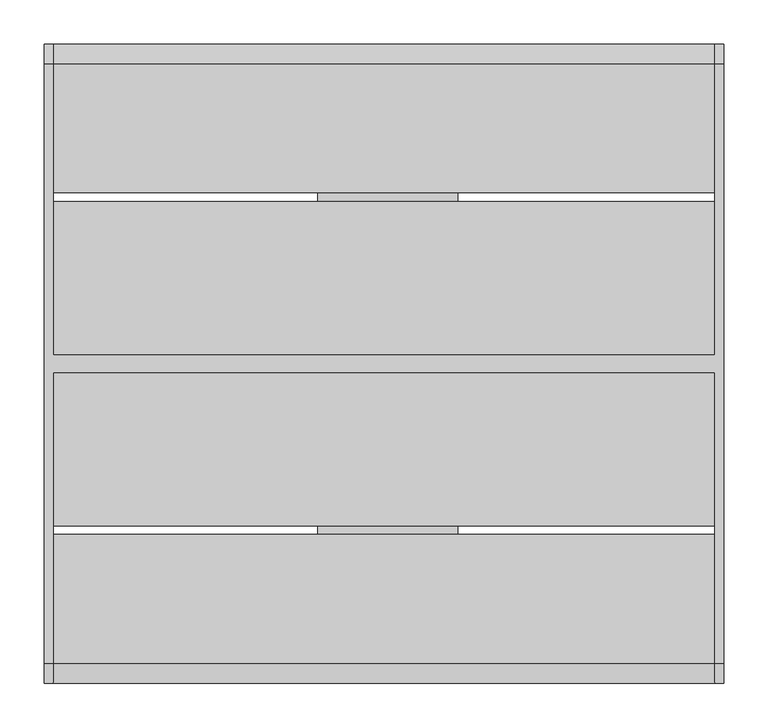
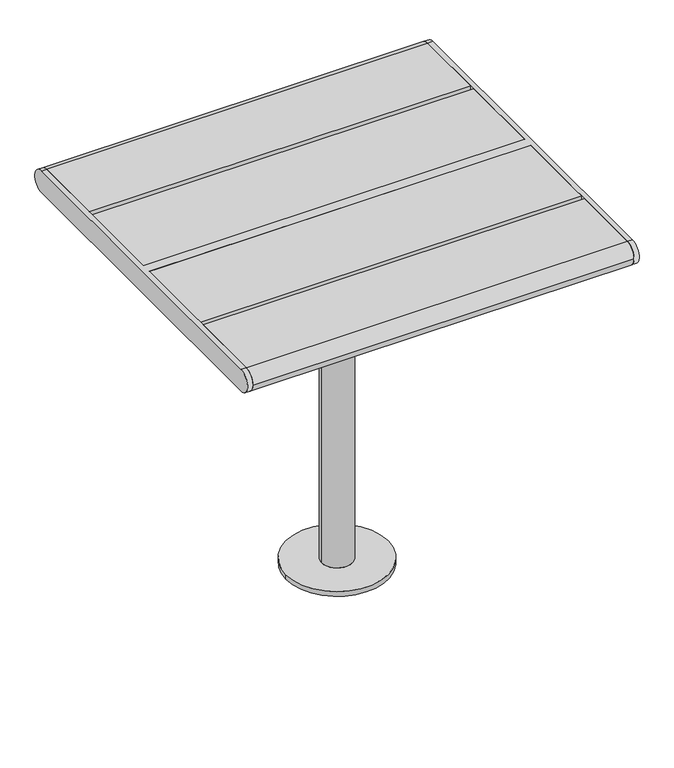
"""IFC4 building model written with IfcOpenShell, lengths in millimetres: furniture geometry."""

from ifc_helpers import new_model, si_unit, point, frame, frame_2d, origin, origin_with_axes, place, context, project, spatial, polyline, circle_curve, trimmed, segment, composite_curve, outline, extrude, source, transform, mapped, element, save
from ifc_brep_helpers import plane_surface, cylinder_surface, advanced_brep


def furniture_ab4d9ce8(model_context):
    return source(origin(), model_context, "Body", "SolidModel", [
        advanced_brep(
        [(-75.0, 125.0, 687.0), (-75.0, 125.0, 679.0), (-75.0, -125.0, 679.0), (-75.0, -125.0, 687.0), (-75.0, -299.0, 687.0), (-75.0, -299.0, 695.0), (-75.0, 299.0, 695.0), (-75.0, 299.0, 687.0), (75.0, 299.0, 687.0), (75.0, 125.0, 687.0), (83.0, 299.0, 695.0), (83.0, 299.0, 687.0), (83.0, -299.0, 695.0), (75.0, -299.0, 687.0), (83.0, -299.0, 687.0), (75.0, -125.0, 687.0), (75.0, -125.0, 679.0), (75.0, 125.0, 679.0), (-30.0, 0.0, 679.0), (30.0, 0.0, 679.0), (83.0, 45.0, 644.0), (83.0, -45.0, 644.0), (75.0, 45.0, 644.0), (75.0, -45.0, 644.0), (-30.0, 0.0, 10.0), (30.0, 0.0, 10.0), (-100.0, 0.0, 10.0), (100.0, 0.0, 10.0), (-100.0, 0.0, 0.0), (100.0, 0.0, 0.0)],
        [
            (0, 1),
            (1, 2),
            (2, 3),
            (3, 4),
            (4, 5),
            (5, 6),
            (6, 7),
            (7, 0),
            (7, 8),
            (8, 9),
            (9, 0),
            (6, 10),
            (10, 11),
            (11, 8),
            (5, 12),
            (12, 10),
            (4, 13),
            (13, 14),
            (14, 12),
            (3, 15),
            (15, 13),
            (2, 16),
            (16, 15),
            (1, 17),
            (17, 16),
            (18, 19, circle_curve(frame((0.0, 0.0, 679.0), z_axis=(0.0, 0.0, 1.0), x_axis=(1.0, 0.0, 0.0)), 30.0)),
            (19, 18, circle_curve(frame((0.0, 0.0, 679.0), z_axis=(0.0, 0.0, 1.0), x_axis=(1.0, 0.0, 0.0)), 30.0)),
            (9, 17),
            (20, 11),
            (14, 21),
            (21, 20),
            (22, 23),
            (23, 13),
            (8, 22),
            (20, 22),
            (23, 21),
            (18, 24),
            (24, 25, circle_curve(frame((0.0, 0.0, 10.0), z_axis=(0.0, 0.0, 1.0), x_axis=(1.0, 0.0, 0.0)), 30.0)),
            (25, 19),
            (25, 24, circle_curve(frame((0.0, 0.0, 10.0), z_axis=(0.0, 0.0, 1.0), x_axis=(1.0, 0.0, 0.0)), 30.0)),
            (26, 27, circle_curve(frame((0.0, 0.0, 10.0), z_axis=(0.0, 0.0, 1.0), x_axis=(1.0, 0.0, 0.0)), 100.0)),
            (27, 26, circle_curve(frame((0.0, 0.0, 10.0), z_axis=(0.0, 0.0, 1.0), x_axis=(1.0, 0.0, 0.0)), 100.0)),
            (28, 29, circle_curve(frame((0.0, 0.0, 0.0), z_axis=(0.0, 0.0, -1.0), x_axis=(1.0, 0.0, 0.0)), 100.0)),
            (29, 28, circle_curve(frame((0.0, 0.0, 0.0), z_axis=(0.0, 0.0, -1.0), x_axis=(1.0, 0.0, 0.0)), 100.0)),
            (26, 28),
            (29, 27),
        ],
        [
            plane_surface(frame((-75.0, 299.0, 687.0), z_axis=(-1.0, 0.0, 0.0), x_axis=(0.0, -1.0, 0.0))),
            plane_surface(frame((75.0, 125.0, 687.0), z_axis=(0.0, 0.0, -1.0), x_axis=(-1.0, 0.0, 0.0))),
            plane_surface(frame((75.0, 299.0, 687.0), z_axis=(0.0, 1.0, 0.0), x_axis=(-1.0, 0.0, 0.0))),
            plane_surface(frame((75.0, 299.0, 695.0), z_axis=(0.0, 0.0, 1.0), x_axis=(-1.0, 0.0, 0.0))),
            plane_surface(frame((75.0, -299.0, 695.0), z_axis=(0.0, -1.0, 0.0), x_axis=(-1.0, 0.0, 0.0))),
            plane_surface(frame((75.0, -299.0, 687.0), z_axis=(0.0, 0.0, -1.0), x_axis=(-1.0, 0.0, 0.0))),
            plane_surface(frame((75.0, -125.0, 687.0), z_axis=(0.0, -1.0, 0.0), x_axis=(-1.0, 0.0, 0.0))),
            plane_surface(frame((75.0, -125.0, 679.0), z_axis=(0.0, 0.0, -1.0), x_axis=(-1.0, 0.0, 0.0))),
            plane_surface(frame((75.0, 125.0, 679.0), z_axis=(0.0, 1.0, 0.0), x_axis=(-1.0, 0.0, 0.0))),
            plane_surface(frame((83.0, 299.0, 687.0), z_axis=(1.0, 0.0, 0.0), x_axis=(0.0, 0.9859710587294898, 0.1669163603360949))),
            plane_surface(frame((75.0, 299.0, 687.0), z_axis=(-1.0, 0.0, 0.0), x_axis=(0.0, -0.9859710587294898, -0.1669163603360949))),
            plane_surface(frame((83.0, 45.0, 644.0), z_axis=(0.0, 0.1669163603360949, -0.9859710587294898), x_axis=(-1.0, 0.0, 0.0))),
            plane_surface(frame((83.0, -299.0, 687.0), z_axis=(0.0, -0.16691636033609472, -0.9859710587294899), x_axis=(-1.0, 0.0, 0.0))),
            plane_surface(frame((83.0, -45.0, 644.0), z_axis=(0.0, 0.0, -1.0), x_axis=(-1.0, 0.0, 0.0))),
            cylinder_surface(frame((0.0, 0.0, 10.0), z_axis=(0.0, 0.0, 1.0), x_axis=(1.0, 0.0, 0.0)), 30.0),
            plane_surface(frame((100.0, 0.0, 10.0), z_axis=(0.0, 0.0, 1.0), x_axis=(0.0, 1.0, 0.0))),
            plane_surface(frame((100.0, 0.0, 0.0), z_axis=(0.0, 0.0, -1.0), x_axis=(0.0, -1.0, 0.0))),
            cylinder_surface(origin_with_axes(), 100.0),
        ],
        [
            (0, [[1, 2, 3, 4, 5, 6, 7, 8]]),
            (1, [[-8, 9, 10, 11]]),
            (2, [[-7, 12, 13, 14, -9]]),
            (3, [[-6, 15, 16, -12]]),
            (4, [[-5, 17, 18, 19, -15]]),
            (5, [[-4, 20, 21, -17]]),
            (6, [[-3, 22, 23, -20]]),
            (7, [[-2, 24, 25, -22], [26, 27]]),
            (8, [[-1, -11, 28, -24]]),
            (9, [[29, -13, -16, -19, 30, 31]]),
            (10, [[32, 33, -21, -23, -25, -28, -10, 34]]),
            (11, [[-29, 35, -34, -14]]),
            (12, [[-30, -18, -33, 36]]),
            (13, [[-31, -36, -32, -35]]),
            (14, [[37, 38, 39, -26]]),
            (14, [[-37, -27, -39, 40]]),
            (15, [[41, 42], [-38, -40]]),
            (16, [[43, 44]]),
            (17, [[-41, 45, -44, 46]]),
            (17, [[-42, -46, -43, -45]]),
        ],
    ),
        advanced_brep(
        [(383.5, 338.5, 740.0), (383.5, -338.5, 740.0), (383.5, -338.5, 695.0), (383.5, 338.5, 695.0), (373.5, 338.5, 740.0), (373.5, 338.5, 695.0), (373.5, 10.0, 695.0), (373.5, 10.0, 740.0), (373.5, -338.5, 695.0), (373.5, -338.5, 740.0), (373.5, -10.0, 740.0), (373.5, -10.0, 695.0), (-373.5, 10.0, 740.0), (-373.5, 338.5, 740.0), (-383.5, 338.5, 740.0), (-383.5, -338.5, 740.0), (-373.5, -338.5, 740.0), (-373.5, -10.0, 740.0), (-373.5, -10.0, 695.0), (-373.5, -338.5, 695.0), (-383.5, -338.5, 695.0), (-383.5, 338.5, 695.0), (-373.5, 338.5, 695.0), (-373.5, 10.0, 695.0)],
        [
            (0, 1),
            (1, 2, circle_curve(frame((383.5, -338.5, 717.5), z_axis=(1.0, 0.0, 0.0), x_axis=(0.0, 1.0, 0.0)), 22.5)),
            (2, 3),
            (3, 0, circle_curve(frame((383.5, 338.5, 717.5), z_axis=(1.0, 0.0, 0.0), x_axis=(0.0, 1.0, 0.0)), 22.5)),
            (4, 5, circle_curve(frame((373.5, 338.5, 717.5), z_axis=(-1.0, 0.0, 0.0), x_axis=(0.0, 1.0, 0.0)), 22.5)),
            (5, 6),
            (6, 7),
            (7, 4),
            (8, 9, circle_curve(frame((373.5, -338.5, 717.5), z_axis=(-1.0, 0.0, 0.0), x_axis=(0.0, 1.0, 0.0)), 22.5)),
            (9, 10),
            (10, 11),
            (11, 8),
            (0, 4),
            (7, 12),
            (12, 13),
            (13, 14),
            (14, 15),
            (15, 16),
            (16, 17),
            (17, 10),
            (9, 1),
            (8, 2),
            (11, 18),
            (18, 19),
            (19, 20),
            (20, 21),
            (21, 22),
            (22, 23),
            (23, 6),
            (5, 3),
            (17, 18),
            (23, 12),
            (16, 19, circle_curve(frame((-373.5, -338.5, 717.5), z_axis=(1.0, 0.0, 0.0), x_axis=(0.0, 1.0, 0.0)), 22.5)),
            (22, 13, circle_curve(frame((-373.5, 338.5, 717.5), z_axis=(1.0, 0.0, 0.0), x_axis=(0.0, 1.0, 0.0)), 22.5)),
            (14, 21, circle_curve(frame((-383.5, 338.5, 717.5), z_axis=(-1.0, 0.0, 0.0), x_axis=(0.0, 1.0, 0.0)), 22.5)),
            (20, 15, circle_curve(frame((-383.5, -338.5, 717.5), z_axis=(-1.0, 0.0, 0.0), x_axis=(0.0, 1.0, 0.0)), 22.5)),
        ],
        [
            plane_surface(frame((383.5, -338.5, 740.0), z_axis=(1.0, 0.0, 0.0), x_axis=(0.0, -1.0, 0.0))),
            plane_surface(frame((373.5, -338.5, 740.0), z_axis=(-1.0, 0.0, 0.0), x_axis=(0.0, 1.0, 0.0))),
            plane_surface(frame((383.5, 338.5, 740.0), z_axis=(0.0, 0.0, 1.0), x_axis=(-1.0, 0.0, 0.0))),
            cylinder_surface(frame((373.5, -338.5, 717.5), z_axis=(1.0, 0.0, 0.0), x_axis=(0.0, 1.0, 0.0)), 22.5),
            plane_surface(frame((383.5, -338.5, 695.0), z_axis=(0.0, 0.0, -1.0), x_axis=(-1.0, 0.0, 0.0))),
            cylinder_surface(frame((373.5, 338.5, 717.5), z_axis=(1.0, 0.0, 0.0), x_axis=(0.0, 1.0, 0.0)), 22.5),
            plane_surface(frame((373.5, -10.0, 740.0), z_axis=(0.0, -1.0, 0.0), x_axis=(-1.0, 0.0, 0.0))),
            plane_surface(frame((373.5, 10.0, 695.0), z_axis=(0.0, 1.0, 0.0), x_axis=(-1.0, 0.0, 0.0))),
            plane_surface(frame((-373.5, -338.5, 740.0), z_axis=(1.0, 0.0, 0.0), x_axis=(0.0, -1.0, 0.0))),
            plane_surface(frame((-383.5, -338.5, 740.0), z_axis=(-1.0, 0.0, 0.0), x_axis=(0.0, 1.0, 0.0))),
            cylinder_surface(frame((-383.5, -338.5, 717.5), z_axis=(1.0, 0.0, 0.0), x_axis=(0.0, 1.0, 0.0)), 22.5),
            cylinder_surface(frame((-383.5, 338.5, 717.5), z_axis=(1.0, 0.0, 0.0), x_axis=(0.0, 1.0, 0.0)), 22.5),
        ],
        [
            (0, [[1, 2, 3, 4]]),
            (1, [[5, 6, 7, 8]]),
            (1, [[9, 10, 11, 12]]),
            (2, [[-1, 13, -8, 14, 15, 16, 17, 18, 19, 20, -10, 21]]),
            (3, [[-2, -21, -9, 22]]),
            (4, [[-3, -22, -12, 23, 24, 25, 26, 27, 28, 29, -6, 30]]),
            (5, [[-4, -30, -5, -13]]),
            (6, [[-20, 31, -23, -11]]),
            (7, [[-29, 32, -14, -7]]),
            (8, [[33, -24, -31, -19]]),
            (8, [[34, -15, -32, -28]]),
            (9, [[35, -26, 36, -17]]),
            (10, [[-33, -18, -36, -25]]),
            (11, [[-34, -27, -35, -16]]),
        ],
    ),
        extrude(outline(composite_curve([segment(trimmed(circle_curve(frame_2d((338.5, 717.5)), 22.5), [point((338.5, 740.0))], [point((338.5, 695.0))], False, "CARTESIAN"), True, "CONTINUOUS"), segment(polyline([(338.5, 695.0), (193.0, 695.0), (193.0, 740.0), (338.5, 740.0)]), True, "CONTINUOUS")], self_intersect=False)), frame((-373.5, 0.0, 0.0), z_axis=(1.0, 0.0, 0.0), x_axis=(0.0, 1.0, 0.0)), (0.0, 0.0, 1.0), 747.0),
        extrude(outline(composite_curve([segment(polyline([(-193.0, 695.0), (-338.5, 695.0)]), True, "CONTINUOUS"), segment(trimmed(circle_curve(frame_2d((-338.5, 717.5)), 22.5), [point((-338.5, 695.0))], [point((-361.0, 717.5))], False, "CARTESIAN"), True, "CONTINUOUS"), segment(trimmed(circle_curve(frame_2d((-338.5, 717.5)), 22.5), [point((-361.0, 717.5))], [point((-338.5, 740.0))], False, "CARTESIAN"), True, "CONTINUOUS"), segment(polyline([(-338.5, 740.0), (-193.0, 740.0), (-193.0, 695.0)]), True, "CONTINUOUS")], self_intersect=False)), frame((-373.5, 0.0, 0.0), z_axis=(1.0, 0.0, 0.0), x_axis=(0.0, 1.0, 0.0)), (0.0, 0.0, 1.0), 747.0),
        extrude(outline(polyline([(373.5, 183.0), (373.5, 10.0), (-373.5, 10.0), (-373.5, 183.0), (373.5, 183.0)])), frame((0.0, 0.0, 695.0), z_axis=(0.0, 0.0, 1.0), x_axis=(1.0, 0.0, 0.0)), (0.0, 0.0, 1.0), 45.0),
        extrude(outline(polyline([(373.5, -10.0), (373.5, -183.0), (-373.5, -183.0), (-373.5, -10.0), (373.5, -10.0)])), frame((0.0, 0.0, 695.0), z_axis=(0.0, 0.0, 1.0), x_axis=(1.0, 0.0, 0.0)), (0.0, 0.0, 1.0), 45.0),
    ])


if __name__ == "__main__":
    model = new_model("IFC4")
    model_context = context("Model", 3, world=origin())
    ifc_project = project(units=[si_unit("LENGTHUNIT", "METRE", prefix="MILLI")], contexts=[model_context])
    site = spatial("IfcSite", under=ifc_project)
    building = spatial("IfcBuilding", under=site)
    placement = place(None, origin())
    furniture_shape = furniture_ab4d9ce8(model_context)
    element("IfcFurniture", 1, at=placement, inside=building, context=model_context, shape_type="MappedRepresentation", body=[
        mapped(furniture_shape, transform((0.0, 0.0, 0.0), x_axis=(1.0, 0.0, 0.0), y_axis=(0.0, 1.0, 0.0), z_axis=(0.0, 0.0, 1.0))),
    ])
    save(model, "model.ifc")
